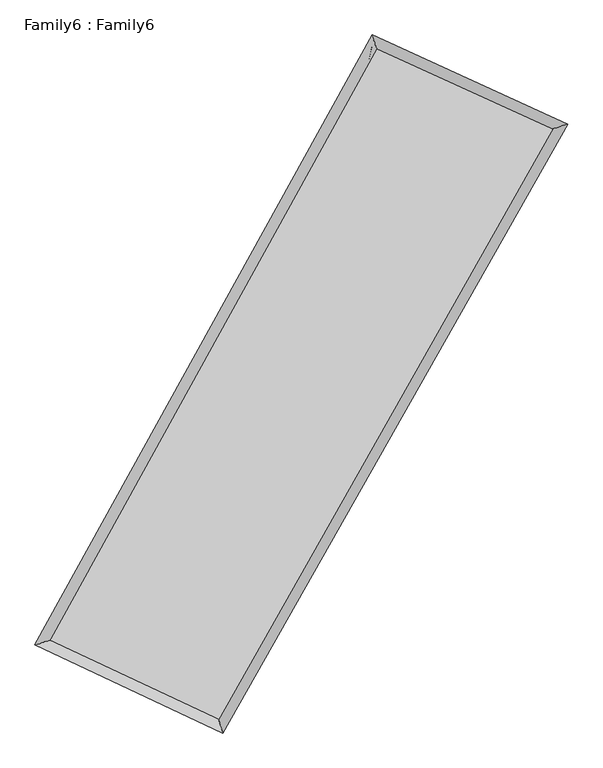
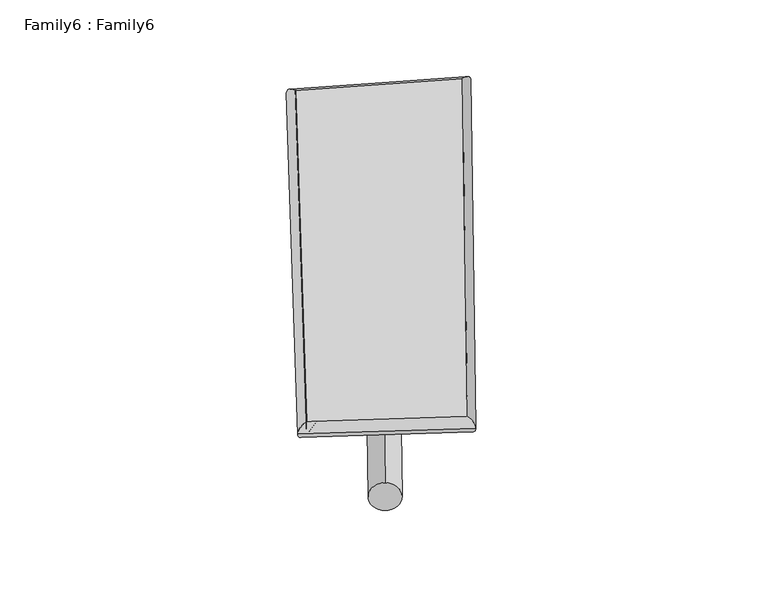
"""IFC4 building model written with IfcOpenShell, lengths in millimetres: plate geometry, Family6 : Family6."""

from ifc_helpers import new_model, si_unit, point, frame, origin, origin_2d, place, context, project, spatial, circle_curve, ellipse_curve, trimmed, segment, composite_curve, outline, extrude, source, transform, mapped, element, save
from ifc_brep_helpers import plane_surface, cylinder_surface, spline_surface, advanced_brep


def family6_family6_17542264(model_context):
    return source(origin(), model_context, "Body", "SolidModel", [
        extrude(outline(composite_curve([segment(trimmed(circle_curve(origin_2d(), 76.2), [point((-75.4341515, -10.7763074))], [point((75.4341515, 10.7763074))], False, "CARTESIAN"), True, "CONTINUOUS"), segment(trimmed(circle_curve(origin_2d(), 76.2), [point((75.4341515, 10.7763074))], [point((-75.4341515, -10.7763074))], False, "CARTESIAN"), True, "CONTINUOUS")], self_intersect=False)), frame((9144.0, 9144.0, 0.0), z_axis=(0.6794441425047756, 0.682766061045154, 0.26867482781391205), x_axis=(-0.6746913447430694, 0.7252888520381311, -0.13692213275434634)), (0.0, 0.0, 1.0), 5776.2874111),
        extrude(outline(composite_curve([segment(trimmed(circle_curve(origin_2d(), 76.2), [point((-53.8815368, 53.8815368))], [point((53.8815368, -53.8815368))], False, "CARTESIAN"), True, "CONTINUOUS"), segment(trimmed(circle_curve(origin_2d(), 76.2), [point((53.8815368, -53.8815368))], [point((-53.8815368, 53.8815368))], False, "CARTESIAN"), True, "CONTINUOUS")], self_intersect=False)), frame((9144.0, 9144.0, 0.0), z_axis=(-0.6732123725265803, -0.6882575144612572, 0.27034551090178166), x_axis=(0.6404032898578644, -0.3598916145478423, 0.6784995594083842)), (0.0, 0.0, 1.0), 5743.1322922),
        extrude(outline(composite_curve([segment(trimmed(circle_curve(origin_2d(), 76.2), [point((-53.8815367, -53.8815367))], [point((53.8815367, 53.8815367))], False, "CARTESIAN"), True, "CONTINUOUS"), segment(trimmed(circle_curve(origin_2d(), 76.2), [point((53.8815367, 53.8815367))], [point((-53.8815367, -53.8815367))], False, "CARTESIAN"), True, "CONTINUOUS")], self_intersect=False)), frame((9144.0, 9144.0, 0.0), z_axis=(0.21468202761597596, 0.9385790520120847, 0.27014994011250487), x_axis=(-0.8494786118573171, 0.31593229869562234, -0.4225788336368327)), (0.0, 0.0, 1.0), 5531.0195095),
        extrude(outline(composite_curve([segment(trimmed(circle_curve(origin_2d(), 76.2), [point((-75.4341515, 10.7763073))], [point((75.4341515, -10.7763073))], False, "CARTESIAN"), True, "CONTINUOUS"), segment(trimmed(circle_curve(origin_2d(), 76.2), [point((75.4341515, -10.7763073))], [point((-75.4341515, 10.7763073))], False, "CARTESIAN"), True, "CONTINUOUS")], self_intersect=False)), frame((9144.0, 9144.0, 0.0), z_axis=(-0.22422729900818436, -0.936439994825745, 0.2698189290436333), x_axis=(0.8929356701152924, -0.0865153809378028, 0.4417929129093639)), (0.0, 0.0, 1.0), 5534.4972878),
        advanced_brep(
        [(5065.5869278, 5122.4706025, 1549.1354403), (5065.5155352, 5122.3479056, 1557.8362097), (5489.7176398, 5260.0214842, 1556.1246272), (10396.5157268, 14138.1711741, 1499.3981579), (10266.3052394, 14532.4269217, 1489.0110206), (5489.7890325, 5260.1441811, 1547.4238578), (12854.1089415, 13018.1747281, 1551.2375491), (13283.2203523, 13157.5312782, 1552.6485021), (7839.8852721, 4159.134477, 1494.3253661), (7966.1439714, 3763.4162999, 1492.2988959)],
        [
            (0, 1, ellipse_curve(frame((5277.6522838, 5191.2460433, 1552.6300337), z_axis=(-0.3086384643519296, 0.9511171973991481, 0.010880033734906007), x_axis=(-0.9509623427131031, -0.3087922035553092, 0.017832491835501577)), 223.1093492, 152.4)),
            (1, 2, ellipse_curve(frame((5277.6522838, 5191.2460433, 1552.6300337), z_axis=(-0.3086384643519296, 0.9511171973991481, 0.010880033734906007), x_axis=(-0.9509623427131031, -0.3087922035553092, 0.017832491835501577)), 223.1093492, 152.4)),
            (2, 3),
            (3, 4, ellipse_curve(frame((10331.4104831, 14335.2990479, 1494.2045893), z_axis=(-0.9494391078388695, -0.31381449390013566, -0.009265199638067724), x_axis=(0.3136152642279172, -0.9493749092227761, 0.018241375537476682)), 207.6698293, 152.4)),
            (4, 0),
            (2, 5, ellipse_curve(frame((5277.6522838, 5191.2460433, 1552.6300337), z_axis=(-0.3086384643519296, 0.9511171973991481, 0.010880033734906007), x_axis=(-0.9509623427131031, -0.3087922035553092, 0.017832491835501577)), 223.1093492, 152.4)),
            (5, 0, ellipse_curve(frame((5277.6522838, 5191.2460433, 1552.6300337), z_axis=(-0.3086384643519296, 0.9511171973991481, 0.010880033734906007), x_axis=(-0.9509623427131031, -0.3087922035553092, 0.017832491835501577)), 223.1093492, 152.4)),
            (4, 3, ellipse_curve(frame((10331.4104831, 14335.2990479, 1494.2045893), z_axis=(-0.9494391078388695, -0.31381449390013566, -0.009265199638067724), x_axis=(0.3136152642279172, -0.9493749092227761, 0.018241375537476682)), 207.6698293, 152.4)),
            (3, 6),
            (6, 7, ellipse_curve(frame((13068.6646469, 13087.8530031, 1551.9430256), z_axis=(-0.3088306624090532, 0.9510637635681718, -0.01006675635594635), x_axis=(-0.9509254006672327, -0.3089635995498059, -0.016804062576950475)), 225.6126215, 152.4)),
            (7, 4),
            (7, 6, ellipse_curve(frame((13068.6646469, 13087.8530031, 1551.9430256), z_axis=(-0.3088306624090532, 0.9510637635681718, -0.01006675635594635), x_axis=(-0.9509254006672327, -0.3089635995498059, -0.016804062576950475)), 225.6126215, 152.4)),
            (6, 8),
            (8, 9, ellipse_curve(frame((7903.0146218, 3961.2753884, 1493.312131), z_axis=(0.9526192473148365, 0.30399663689334827, -0.01012987674396553), x_axis=(-0.30377139471868086, 0.9525521228246314, 0.01916749991407016)), 207.7067977, 152.4)),
            (9, 7),
            (9, 8, ellipse_curve(frame((7903.0146218, 3961.2753884, 1493.312131), z_axis=(0.9526192473148365, 0.30399663689334827, -0.01012987674396553), x_axis=(-0.30377139471868086, 0.9525521228246314, 0.01916749991407016)), 207.7067977, 152.4)),
            (8, 5),
            (1, 9),
        ],
        [
            cylinder_surface(frame((5277.6522838, 5191.2460433, 1552.6300337), z_axis=(-0.48371269769168823, -0.8752089776113087, 0.0055921016082751025), x_axis=(-0.8749352001688632, 0.4833767155907942, -0.028902358556488664)), 152.4),
            cylinder_surface(frame((10331.4104831, 14335.2990479, 1494.2045893), z_axis=(-0.9097927576959574, 0.4146189243692979, -0.019190768583655447), x_axis=(0.41492503891954785, 0.9097093100557494, -0.01631512413388041)), 152.4),
            cylinder_surface(frame((13068.6646469, 13087.8530031, 1551.9430256), z_axis=(0.4925661624909128, 0.8702570422886405, 0.0055906990621029376), x_axis=(0.870273754385051, -0.4925661624909128, -0.0014724121446385743)), 152.4),
            cylinder_surface(frame((7903.0146218, 3961.2753884, 1493.312131), z_axis=(0.9053579774255517, -0.42415621200992726, -0.020455818861732315), x_axis=(-0.4239852147677056, -0.9055857135870246, 0.012290362299867564)), 152.4),
        ],
        [
            (0, [[1, 2, 3, 4, 5]]),
            (0, [[6, 7, -5, 8, -3]]),
            (1, [[-4, 9, 10, 11]]),
            (1, [[-8, -11, 12, -9]]),
            (2, [[-10, 13, 14, 15]]),
            (2, [[-12, -15, 16, -13]]),
            (3, [[-14, 17, -6, -2, 18]]),
            (3, [[-16, -18, -1, -7, -17]]),
        ],
    ),
        extrude(outline(composite_curve([segment(trimmed(circle_curve(origin_2d(), 304.8), [point((0.0, 304.8))], [point((0.0, -304.8))], False, "CARTESIAN"), True, "CONTINUOUS"), segment(trimmed(circle_curve(origin_2d(), 304.8), [point((0.0, -304.8))], [point((0.0, 304.8))], False, "CARTESIAN"), True, "CONTINUOUS")], self_intersect=False)), frame((11734.5669965, 13716.9455416, -0.0456772), z_axis=(-0.4929018430076717, -0.8700849229150616, 8.690910104175519e-06), x_axis=(-0.8700849229554511, 0.4929018430076717, -2.2906797200870628e-06)), (0.0, 0.0, 1.0), 10511.4924329),
        advanced_brep(
        [(5277.6522838, 5191.2460433, 1552.6300337), (7903.0146218, 3961.2753884, 1493.312131), (7903.0014679, 3961.2795792, 1645.7121304), (5277.6391299, 5191.2502341, 1705.0300331), (13068.6646469, 13087.8530031, 1551.9430256), (13068.651493, 13087.8571939, 1704.343025), (10331.4104831, 14335.2990479, 1494.2045893), (10331.3973292, 14335.3032386, 1646.6045886)],
        [
            (0, 1),
            (1, 2),
            (2, 3),
            (3, 0),
            (1, 4),
            (4, 5),
            (5, 2),
            (4, 6),
            (6, 7),
            (7, 5),
            (6, 0),
            (3, 7),
        ],
        [
            plane_surface(frame((6590.3334528, 4576.2607159, 1522.9710824), z_axis=(-0.424245198991271, -0.9055473543639687, -1.1716402407697599e-05), x_axis=(0.9053579774255516, -0.4241562120099275, -0.020455818861732325))),
            plane_surface(frame((10485.8396343, 8524.5641958, 1522.6275783), z_axis=(0.8702703953700942, -0.4925742899115439, 8.865956571040782e-05), x_axis=(0.4925661624909128, 0.8702570422886406, 0.005590699062102948))),
            plane_surface(frame((11700.037565, 13711.5760255, 1523.0738074), z_axis=(0.4146951064070684, 0.9099604214503075, 1.07707647742988e-05), x_axis=(-0.9097927576959575, 0.414618924369298, -0.019190768583655447))),
            plane_surface(frame((7804.5313835, 9763.2725456, 1523.4173115), z_axis=(-0.8752228993974097, 0.4837198243582918, -8.884354298839938e-05), x_axis=(-0.4837126976916882, -0.8752089776113088, 0.005592101608275105))),
            spline_surface(1, 1, [[(7903.0014679, 3961.2795792, 1645.7121304), (5277.6391299, 5191.2502341, 1705.0300331)], [(13068.651493, 13087.8571939, 1704.343025), (10331.3973292, 14335.3032386, 1646.6045886)]], [2, 2], [2, 2], [0.0, 1.0], [0.0, 1.0]),
            spline_surface(1, 1, [[(10331.4104831, 14335.2990479, 1494.2045893), (5277.6522838, 5191.2460433, 1552.6300337)], [(13068.6646469, 13087.8530031, 1551.9430256), (7903.0146218, 3961.2753884, 1493.312131)]], [2, 2], [2, 2], [0.0, 1.0], [0.0, 1.0]),
        ],
        [
            (0, [[1, 2, 3, 4]]),
            (1, [[5, 6, 7, -2]]),
            (2, [[8, 9, 10, -6]]),
            (3, [[11, -4, 12, -9]]),
            (4, [[-3, -7, -10, -12]]),
            (5, [[-11, -8, -5, -1]]),
        ],
    ),
    ])


if __name__ == "__main__":
    model = new_model("IFC4")
    model_context = context("Model", 3, world=origin())
    ifc_project = project(units=[si_unit("LENGTHUNIT", "METRE", prefix="MILLI")], contexts=[model_context])
    site = spatial("IfcSite", under=ifc_project)
    building = spatial("IfcBuilding", under=site)
    placement = place(None, origin())
    family6_family6_shape = family6_family6_17542264(model_context)
    element("IfcPlate", 1, ObjectType="Family6 : Family6", at=placement, inside=building, context=model_context, shape_type="MappedRepresentation", body=[
        mapped(family6_family6_shape, transform((0.0, 0.0, 0.0), x_axis=(1.0, 0.0, 0.0), y_axis=(0.0, 1.0, 0.0), z_axis=(0.0, 0.0, 1.0))),
    ])
    save(model, "model.ifc")
